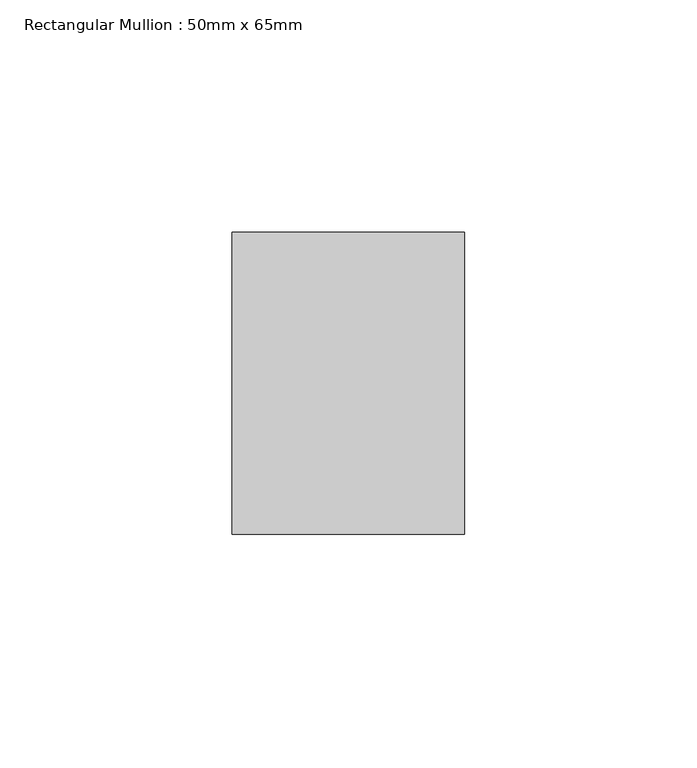
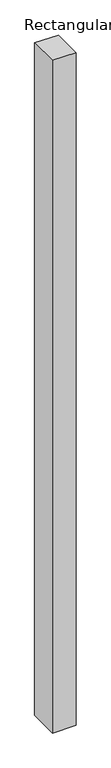
"""IFC4 building model written with IfcOpenShell, lengths in millimetres: member geometry, Rectangular Mullion : 50mm x 65mm."""

from ifc_helpers import new_model, si_unit, origin, place, context, project, spatial, faceted_brep, source, transform, mapped, element, save


def rectangular_mullion_50mm_x_65mm_76473198(model_context):
    return source(origin(), model_context, "Body", "Brep", [
        faceted_brep([(-25.0, 32.5, -0.2664466), (25.0, 32.5, -0.2664491), (25.0, 32.5, -1499.6462407), (-25.0, 32.5, -1499.646244), (-25.0, -32.5, 0.2664491), (-25.0, -32.5, -1500.353585), (25.0, -32.5, 0.2664466), (25.0, -32.5, -1500.3535817)], [[[0, 1, 2, 3]], [[4, 0, 3, 5]], [[6, 4, 5, 7]], [[1, 6, 7, 2]], [[1, 0, 4, 6]], [[2, 7, 5, 3]]]),
    ])


if __name__ == "__main__":
    model = new_model("IFC4")
    model_context = context("Model", 3, world=origin())
    ifc_project = project(units=[si_unit("LENGTHUNIT", "METRE", prefix="MILLI")], contexts=[model_context])
    site = spatial("IfcSite", under=ifc_project)
    building = spatial("IfcBuilding", under=site)
    placement = place(None, origin())
    rectangular_mullion_50mm_x_65mm_shape = rectangular_mullion_50mm_x_65mm_76473198(model_context)
    element("IfcMember", 1, ObjectType="Rectangular Mullion : 50mm x 65mm", at=placement, inside=building, context=model_context, shape_type="MappedRepresentation", body=[
        mapped(rectangular_mullion_50mm_x_65mm_shape, transform((0.0, 0.0, 0.0), x_axis=(1.0, 0.0, 0.0), y_axis=(0.0, 1.0, 0.0), z_axis=(0.0, 0.0, 1.0))),
    ])
    save(model, "model.ifc")
